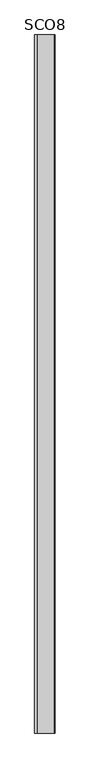
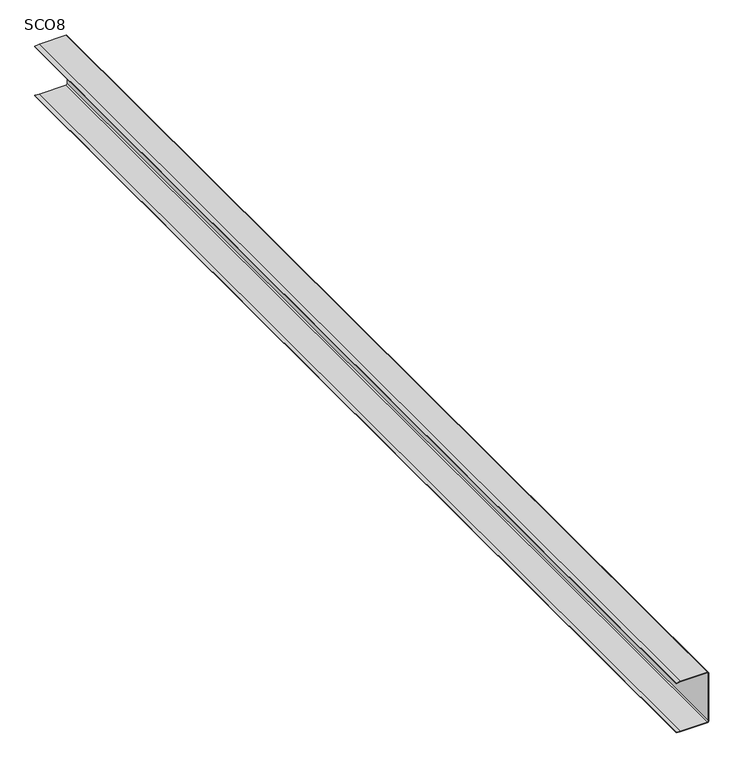
"""IFC4 building model written with IfcOpenShell, lengths in millimetres: proxy geometry, SCO8."""

from ifc_helpers import new_model, si_unit, point, frame, frame_2d, origin, place, context, project, spatial, polyline, circle_curve, trimmed, segment, composite_curve, outline, extrude, source, transform, mapped, element, save


def sco8_378688ef(model_context):
    return source(origin(), model_context, "Body", "SweptSolid", [
        extrude(outline(composite_curve([segment(polyline([(-141.1423985, -86.4345324), (-142.3246667, -75.2686667), (-142.3246667, -2.0954999)]), True, "CONTINUOUS"), segment(trimmed(circle_curve(frame_2d((-137.6045001, -2.0954999)), 4.7201666), [point((-142.3246667, -2.0954999))], [point((-137.6045001, 2.6246667))], False, "CARTESIAN"), True, "CONTINUOUS"), segment(polyline([(-137.6045001, 2.6246667), (-2.0743333, 2.6246667)]), True, "CONTINUOUS"), segment(trimmed(circle_curve(frame_2d((-2.0743333, -2.0743333)), 4.699), [point((-2.0743333, 2.6246667))], [point((2.6246667, -2.0743333))], False, "CARTESIAN"), True, "CONTINUOUS"), segment(polyline([(2.6246667, -2.0743333), (2.6246667, -75.2686667), (1.4408445, -86.4053637), (0.0, -86.2353789), (1.1006667, -75.1416667), (1.1006667, -2.0743333)]), True, "CONTINUOUS"), segment(trimmed(circle_curve(frame_2d((-2.0743333, -2.0743333)), 3.175), [point((1.1006667, -2.0743333))], [point((-2.0743333, 1.1006667))], True, "CARTESIAN"), True, "CONTINUOUS"), segment(polyline([(-2.0743333, 1.1006667), (-137.6045001, 1.1006667)]), True, "CONTINUOUS"), segment(trimmed(circle_curve(frame_2d((-137.6045001, -2.0954999)), 3.1961666), [point((-137.6045001, 1.1006667))], [point((-140.8006667, -2.0954999))], True, "CARTESIAN"), True, "CONTINUOUS"), segment(polyline([(-140.8006667, -2.0954999), (-140.8006667, -75.184), (-139.7, -86.2818078), (-141.1423985, -86.4345324)]), True, "CONTINUOUS")], self_intersect=False)), frame((0.0, -1141.4125, 0.0), z_axis=(0.0, 1.0, 0.0), x_axis=(0.0, 0.0, 1.0)), (0.0, 0.0, 1.0), 3021.0125),
    ])


if __name__ == "__main__":
    model = new_model("IFC4")
    model_context = context("Model", 3, world=origin())
    ifc_project = project(units=[si_unit("LENGTHUNIT", "METRE", prefix="MILLI")], contexts=[model_context])
    site = spatial("IfcSite", under=ifc_project)
    building = spatial("IfcBuilding", under=site)
    placement = place(None, origin())
    sco8_shape = sco8_378688ef(model_context)
    element("IfcBuildingElementProxy", 1, Name="SCO8", ObjectType="SCO8", at=placement, inside=building, context=model_context, shape_type="MappedRepresentation", body=[
        mapped(sco8_shape, transform((0.0, 0.0, 0.0), x_axis=(1.0, 0.0, 0.0), y_axis=(0.0, 1.0, 0.0), z_axis=(0.0, 0.0, 1.0))),
    ])
    save(model, "model.ifc")
